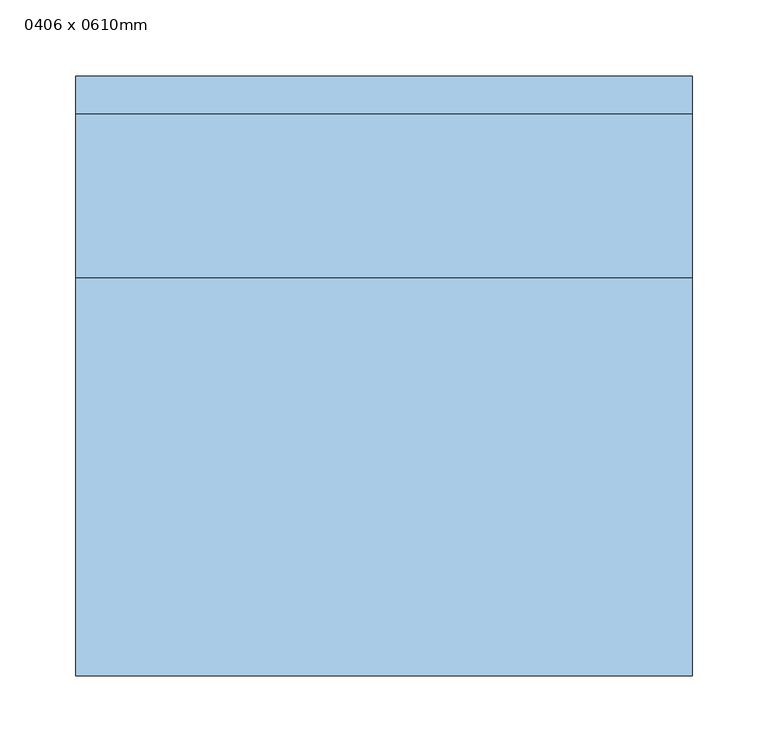
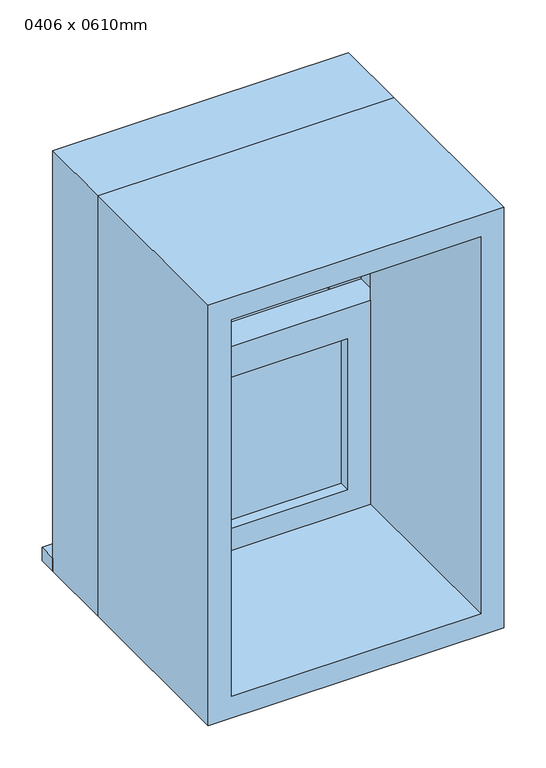
"""IFC4 building model written with IfcOpenShell, lengths in millimetres: window geometry, 0406 x 0610mm."""

from ifc_helpers import new_model, si_unit, frame, origin, place, context, project, spatial, polyline, outline, extrude, source, transform, mapped, element, save


def window_0406_x_0610mm_7ac947c6(model_context):
    return source(origin(), model_context, "Body", "SweptSolid", [
        extrude(outline(polyline([(-139.5, 105.675), (139.5, 105.675), (139.5, 92.975), (-139.5, 92.975), (-139.5, 105.675)])), frame((0.0, 0.0, 978.5), z_axis=(0.0, 0.0, 1.0), x_axis=(1.0, 0.0, 0.0)), (0.0, 0.0, 1.0), 219.275),
        extrude(outline(polyline([(1242.225, -183.95), (934.05, -183.95), (934.05, 183.95), (1242.225, 183.95), (1242.225, -183.95)]), holes=[polyline([(1197.775, -139.5), (1197.775, 139.5), (978.5, 139.5), (978.5, -139.5), (1197.775, -139.5)])]), frame((0.0, 77.1, 0.0), z_axis=(0.0, 1.0, 0.0), x_axis=(0.0, 0.0, 1.0)), (0.0, 0.0, 1.0), 44.45),
        extrude(outline(polyline([(-203.0, 210.4), (203.0, 210.4), (203.0, 185.0), (-203.0, 185.0), (-203.0, 210.4)])), frame((0.0, 0.0, 915.0), z_axis=(0.0, 0.0, 1.0), x_axis=(1.0, 0.0, 0.0)), (0.0, 0.0, 1.0), 19.05),
        extrude(outline(polyline([(139.5, 137.425), (-139.5, 137.425), (-139.5, 150.125), (139.5, 150.125), (139.5, 137.425)])), frame((0.0, 0.0, 1242.225), z_axis=(0.0, 0.0, 1.0), x_axis=(1.0, 0.0, 0.0)), (0.0, 0.0, 1.0), 219.275),
        extrude(outline(polyline([(1505.95, -183.95), (1197.775, -183.95), (1197.775, 183.95), (1505.95, 183.95), (1505.95, -183.95)]), holes=[polyline([(1461.5, -139.5), (1461.5, 139.5), (1242.225, 139.5), (1242.225, -139.5), (1461.5, -139.5)])]), frame((0.0, 121.55, 0.0), z_axis=(0.0, 1.0, 0.0), x_axis=(0.0, 0.0, 1.0)), (0.0, 0.0, 1.0), 44.45),
        extrude(outline(polyline([(1525.0, -203.0), (915.0, -203.0), (915.0, 203.0), (1525.0, 203.0), (1525.0, -203.0)]), holes=[polyline([(1493.25, -171.25), (1493.25, 171.25), (946.75, 171.25), (946.75, -171.25), (1493.25, -171.25)])]), frame((0.0, -185.0, 0.0), z_axis=(0.0, 1.0, 0.0), x_axis=(0.0, 0.0, 1.0)), (0.0, 0.0, 1.0), 262.1),
        extrude(outline(polyline([(1525.0, 203.0), (1525.0, -203.0), (915.0, -203.0), (915.0, 203.0), (1525.0, 203.0)]), holes=[polyline([(1505.95, 183.95), (934.05, 183.95), (934.05, -183.95), (1505.95, -183.95), (1505.95, 183.95)])]), frame((0.0, 77.1, 0.0), z_axis=(0.0, 1.0, 0.0), x_axis=(0.0, 0.0, 1.0)), (0.0, 0.0, 1.0), 107.9),
    ])


if __name__ == "__main__":
    model = new_model("IFC4")
    model_context = context("Model", 3, world=origin())
    ifc_project = project(units=[si_unit("LENGTHUNIT", "METRE", prefix="MILLI")], contexts=[model_context])
    site = spatial("IfcSite", under=ifc_project)
    building = spatial("IfcBuilding", under=site)
    placement = place(None, origin())
    window_0406_x_0610mm_shape = window_0406_x_0610mm_7ac947c6(model_context)
    element("IfcWindow", 1, ObjectType="0406 x 0610mm", at=placement, inside=building, context=model_context, shape_type="MappedRepresentation", body=[
        mapped(window_0406_x_0610mm_shape, transform((0.0, 0.0, 0.0), x_axis=(1.0, 0.0, 0.0), y_axis=(0.0, 1.0, 0.0), z_axis=(0.0, 0.0, 1.0))),
    ])
    save(model, "model.ifc")
